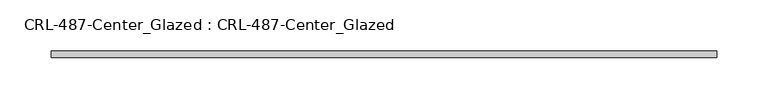
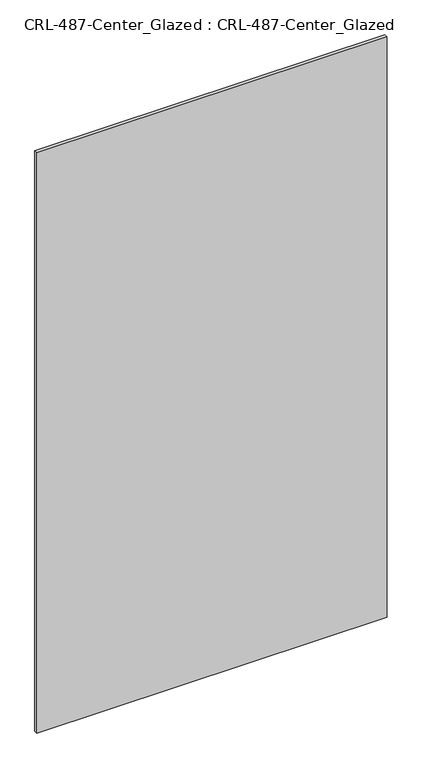
"""IFC4 building model written with IfcOpenShell, lengths in millimetres: plate geometry, CRL-487-Center_Glazed : CRL-487-Center_Glazed."""

import ifcopenshell
import ifcopenshell.guid

model = None  # the IFC model being written
_history = None  # IfcOwnerHistory: only IFC2X3 demands one
_inside = {}  # id of a spatial element -> (the spatial element, [elements in it])
_under = {}  # id of a project, library or spatial element -> (it, [spatial elements below it])
_declared = {}  # id of a project -> (the project, [libraries it declares])
_typed = {}  # id of a type object -> (the type object, [elements of that type])
_made_of = {}  # id of a material, layer set ... -> (it, [elements and type objects made of it])


def new_model(schema):
    """Start an empty IFC model of exactly this schema.

    Asked for "IFC4X3", IfcOpenShell would pick the latest addendum, in which some entities
    have other attributes; the version numbers below select the first issue.
    IFC2X3 requires an IfcOwnerHistory on every rooted entity: one is made here for all.
    """
    global model, _history
    if schema == "IFC4X3":
        model = ifcopenshell.file(schema_version=(4, 3, 0, 0))
    else:
        model = ifcopenshell.file(schema=schema)
    _inside.clear()
    _under.clear()
    _declared.clear()
    _typed.clear()
    _made_of.clear()
    _history = None
    if model.schema == "IFC2X3":
        org = make("IfcOrganization", Name="unknown")
        user = make(
            "IfcPersonAndOrganization",
            ThePerson=make("IfcPerson", FamilyName="unknown"),
            TheOrganization=org,
        )
        app = make(
            "IfcApplication",
            ApplicationDeveloper=org,
            Version="unknown",
            ApplicationFullName="unknown",
            ApplicationIdentifier="unknown",
        )
        _history = make(
            "IfcOwnerHistory",
            OwningUser=user,
            OwningApplication=app,
            ChangeAction="ADDED",
            CreationDate=0,
        )
    return model


def make(cls, **values):
    """One entity of the class cls with the attributes given. An attribute that is None is left unset."""
    return model.create_entity(
        cls, **{name: value for name, value in values.items() if value is not None}
    )


def rooted(cls, **values):
    """An entity with a GlobalId (a new one), such as an element, a storey or a relation."""
    return make(cls, GlobalId=ifcopenshell.guid.new(), OwnerHistory=_history, **values)


def si_unit(unit_type, name, prefix=None):
    """IfcSIUnit, for example si_unit("LENGTHUNIT", "METRE", prefix="MILLI")."""
    return make("IfcSIUnit", UnitType=unit_type, Prefix=prefix, Name=name)


def assignment(units):
    """IfcUnitAssignment: the units of a project."""
    return None if units is None else make("IfcUnitAssignment", Units=units)


def point(xyz):
    """IfcCartesianPoint."""
    return None if xyz is None else make("IfcCartesianPoint", Coordinates=xyz)


def direction(xyz):
    """IfcDirection."""
    return None if xyz is None else make("IfcDirection", DirectionRatios=xyz)


def frame(location, z_axis=None, x_axis=None):
    """IfcAxis2Placement3D, a coordinate frame: its origin and axes. An axis left out is left unset."""
    return make(
        "IfcAxis2Placement3D",
        Location=point(location),
        Axis=direction(z_axis),
        RefDirection=direction(x_axis),
    )


def origin():
    """The frame at (0, 0, 0) with its axes left unset."""
    return frame((0.0, 0.0, 0.0))


def origin_with_axes():
    """The frame at (0, 0, 0) with the z axis (0, 0, 1) and the x axis (1, 0, 0) written out."""
    return frame((0.0, 0.0, 0.0), z_axis=(0.0, 0.0, 1.0), x_axis=(1.0, 0.0, 0.0))


def place(relative_to, where):
    """IfcLocalPlacement: puts the frame where relative to a parent placement (None: the world)."""
    return make(
        "IfcLocalPlacement", PlacementRelTo=relative_to, RelativePlacement=where
    )


def context(
    kind, dimensions, precision=None, world=None, true_north=None, identifier=None
):
    """IfcGeometricRepresentationContext, for example the 3D "Model" context."""
    return make(
        "IfcGeometricRepresentationContext",
        ContextIdentifier=identifier,
        ContextType=kind,
        CoordinateSpaceDimension=dimensions,
        Precision=precision,
        WorldCoordinateSystem=world,
        TrueNorth=true_north,
    )


def project(units=None, contexts=None):
    """IfcProject with its units and contexts."""
    return rooted(
        "IfcProject",
        Name="project",
        RepresentationContexts=contexts,
        UnitsInContext=assignment(units),
    )


def spatial(cls, under=None, at=None, **own):
    """A site, building, storey or space (cls), placed at a placement, below another one or the project."""
    s = rooted(cls, ObjectPlacement=at, **own)
    if under is not None:
        _under.setdefault(under.id(), (under, []))[1].append(s)
    return s


def polyline(points):
    """IfcPolyline through the points."""
    return make("IfcPolyline", Points=[point(p) for p in points])


def outline(outer, holes=None, kind="AREA"):
    """IfcArbitraryClosedProfileDef: a profile drawn as a closed curve; with holes, ...WithVoids."""
    if holes is None:
        return make("IfcArbitraryClosedProfileDef", ProfileType=kind, OuterCurve=outer)
    return make(
        "IfcArbitraryProfileDefWithVoids",
        ProfileType=kind,
        OuterCurve=outer,
        InnerCurves=holes,
    )


def extrude(swept, where, along, depth):
    """IfcExtrudedAreaSolid: the profile swept, set in the frame where, extruded along a direction by depth."""
    return make(
        "IfcExtrudedAreaSolid",
        SweptArea=swept,
        Position=where,
        ExtrudedDirection=direction(along),
        Depth=depth,
    )


def shape(context_of_items, identifier, shape_type, items):
    """IfcShapeRepresentation: the items that make up one representation, for example the "Body"."""
    return make(
        "IfcShapeRepresentation",
        ContextOfItems=context_of_items,
        RepresentationIdentifier=identifier,
        RepresentationType=shape_type,
        Items=items,
    )


def source(mapping_origin, context_of_items, identifier, shape_type, items):
    """IfcRepresentationMap: a shape defined once, which mapped items show again and again."""
    return make(
        "IfcRepresentationMap",
        MappingOrigin=mapping_origin,
        MappedRepresentation=shape(context_of_items, identifier, shape_type, items),
    )


def transform(
    local_origin,
    x_axis=None,
    y_axis=None,
    z_axis=None,
    scale=None,
    scale2=None,
    scale3=None,
    uniform=True,
):
    """IfcCartesianTransformationOperator3D, or its non-uniform kind. x_axis, y_axis, z_axis: its Axis1, 2, 3."""
    if uniform:
        return make(
            "IfcCartesianTransformationOperator3D",
            Axis1=direction(x_axis),
            Axis2=direction(y_axis),
            LocalOrigin=point(local_origin),
            Scale=scale,
            Axis3=direction(z_axis),
        )
    return make(
        "IfcCartesianTransformationOperator3DnonUniform",
        Axis1=direction(x_axis),
        Axis2=direction(y_axis),
        LocalOrigin=point(local_origin),
        Scale=scale,
        Axis3=direction(z_axis),
        Scale2=scale2,
        Scale3=scale3,
    )


def mapped(mapping_source, mapping_target):
    """IfcMappedItem: shows the shape of a source again, moved by a transform."""
    return make(
        "IfcMappedItem", MappingSource=mapping_source, MappingTarget=mapping_target
    )


def made_of(thing, what):
    """Note that an element or type object is made of a material, layer set ...; save() writes the relation."""
    if what is not None:
        _made_of.setdefault(what.id(), (what, []))[1].append(thing)
    return thing


def element(
    cls,
    number,
    at=None,
    inside=None,
    cuts=None,
    type_object=None,
    material=None,
    context=None,
    identifier="Body",
    shape_type=None,
    held_by="IfcProductDefinitionShape",
    body=None,
    shapes=None,
    **own,
):
    """One element of the class cls, such as IfcWall. Its Tag is "e" and its number.

    at: its placement. inside: the storey or other place that contains it. cuts: it is an
    opening in that element (IfcRelVoidsElement). A single representation is given by context,
    identifier, shape_type and body (its items); several are given by shapes. held_by: the class
    of the entity that holds the representations. save() writes the other relations.
    """
    e = rooted(cls, Tag="e%d" % number, ObjectPlacement=at, **own)
    if body is not None:
        shapes = [shape(context, identifier, shape_type, body)]
    if shapes is not None:
        e.Representation = make(held_by, Representations=shapes)
    if inside is not None:
        _inside.setdefault(inside.id(), (inside, []))[1].append(e)
    if cuts is not None:
        rooted(
            "IfcRelVoidsElement", RelatingBuildingElement=cuts, RelatedOpeningElement=e
        )
    if type_object is not None:
        _typed.setdefault(type_object.id(), (type_object, []))[1].append(e)
    return made_of(e, material)


def aggregate(whole, parts):
    """IfcRelAggregates: a whole, such as a stair, and the parts it consists of."""
    return rooted("IfcRelAggregates", RelatingObject=whole, RelatedObjects=parts)


def save(model, path):
    """Write the relations noted so far, then the file.

    IfcRelAggregates (storeys below a building ...), IfcRelContainedInSpatialStructure (elements
    in a storey), IfcRelDefinesByType, IfcRelAssociatesMaterial and IfcRelDeclares: one each for
    every whole, place, type object, material and project.
    """
    for whole, parts in _under.values():
        aggregate(whole, parts)
    for where, things in _inside.values():
        rooted(
            "IfcRelContainedInSpatialStructure",
            RelatedElements=things,
            RelatingStructure=where,
        )
    for kind, things in _typed.values():
        rooted("IfcRelDefinesByType", RelatedObjects=things, RelatingType=kind)
    for what, things in _made_of.values():
        rooted("IfcRelAssociatesMaterial", RelatedObjects=things, RelatingMaterial=what)
    for by, libraries in _declared.values():
        rooted("IfcRelDeclares", RelatingContext=by, RelatedDefinitions=libraries)
    model.write(path)


def crl_487_center_glazed_crl_487_center_glazed_f6eb75d2(model_context):
    return source(origin(), model_context, "Body", "SweptSolid", [
        extrude(outline(polyline([(323.85635, -3.1749999), (-323.85635, -3.1749999), (-323.85635, 3.1749999), (323.85635, 3.1749999), (323.85635, -3.1749999)])), origin_with_axes(), (0.0, 0.0, 1.0), 1133.475),
    ])


if __name__ == "__main__":
    model = new_model("IFC4")
    model_context = context("Model", 3, world=origin())
    ifc_project = project(units=[si_unit("LENGTHUNIT", "METRE", prefix="MILLI")], contexts=[model_context])
    site = spatial("IfcSite", under=ifc_project)
    building = spatial("IfcBuilding", under=site)
    placement = place(None, origin())
    crl_487_center_glazed_crl_487_center_glazed_shape = crl_487_center_glazed_crl_487_center_glazed_f6eb75d2(model_context)
    element("IfcPlate", 1, ObjectType="CRL-487-Center_Glazed : CRL-487-Center_Glazed", at=placement, inside=building, context=model_context, shape_type="MappedRepresentation", body=[
        mapped(crl_487_center_glazed_crl_487_center_glazed_shape, transform((0.0, 0.0, 0.0), x_axis=(1.0, 0.0, 0.0), y_axis=(0.0, 1.0, 0.0), z_axis=(0.0, 0.0, 1.0))),
    ])
    save(model, "model.ifc")
